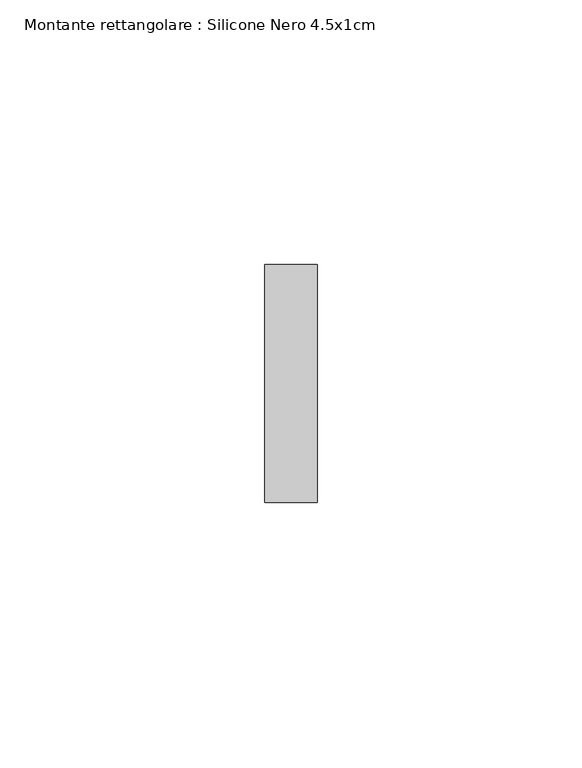
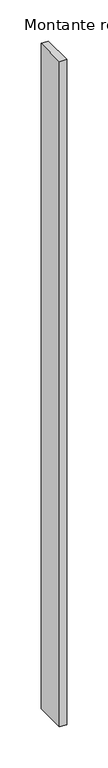
"""IFC4 building model written with IfcOpenShell, lengths in millimetres: member geometry, Montante rettangolare : Silicone Nero 4.5x1cm."""

from ifc_helpers import new_model, si_unit, frame, origin, place, context, project, spatial, polyline, outline, extrude, source, transform, mapped, element, save


def montante_rettangolare_silicone_nero_4_5x1cm_99a30782(model_context):
    return source(origin(), model_context, "Body", "SweptSolid", [
        extrude(outline(polyline([(5.0, 45.0), (5.0, 0.0), (-5.0, 0.0), (-5.0, 45.0), (5.0, 45.0)])), frame((0.0, 0.0, -990.0), z_axis=(0.0, 0.0, 1.0), x_axis=(1.0, 0.0, 0.0)), (0.0, 0.0, 1.0), 990.0),
    ])


if __name__ == "__main__":
    model = new_model("IFC4")
    model_context = context("Model", 3, world=origin())
    ifc_project = project(units=[si_unit("LENGTHUNIT", "METRE", prefix="MILLI")], contexts=[model_context])
    site = spatial("IfcSite", under=ifc_project)
    building = spatial("IfcBuilding", under=site)
    placement = place(None, origin())
    montante_rettangolare_silicone_nero_4_5x1cm_shape = montante_rettangolare_silicone_nero_4_5x1cm_99a30782(model_context)
    element("IfcMember", 1, ObjectType="Montante rettangolare : Silicone Nero 4.5x1cm", at=placement, inside=building, context=model_context, shape_type="MappedRepresentation", body=[
        mapped(montante_rettangolare_silicone_nero_4_5x1cm_shape, transform((0.0, 0.0, 0.0), x_axis=(1.0, 0.0, 0.0), y_axis=(0.0, 1.0, 0.0), z_axis=(0.0, 0.0, 1.0))),
    ])
    save(model, "model.ifc")
